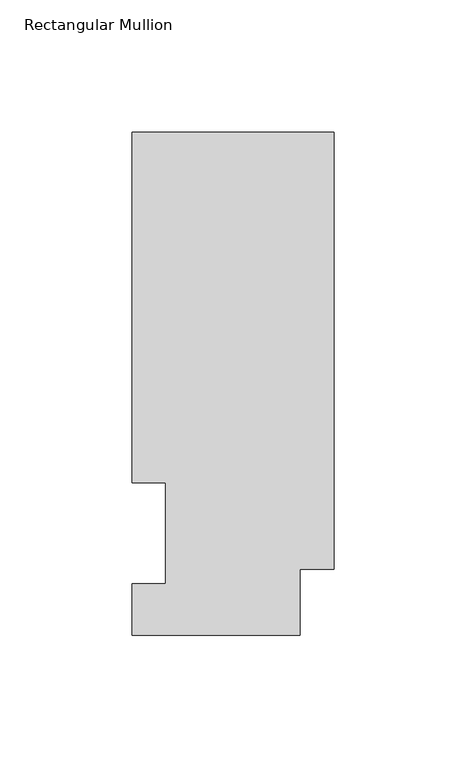
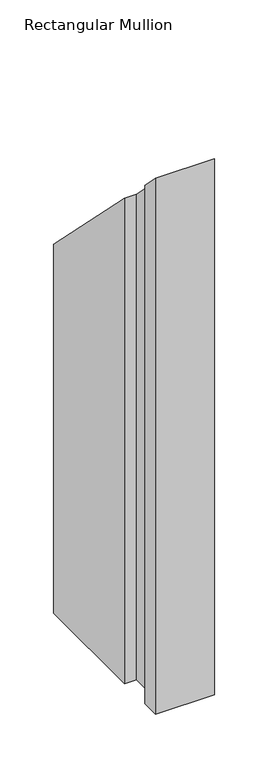
"""IFC4 building model written with IfcOpenShell, lengths in millimetres: member geometry, Rectangular Mullion."""

from ifc_helpers import new_model, si_unit, origin, place, context, project, spatial, faceted_brep, source, transform, mapped, element, save


def rectangular_mullion_6bfdc9e1(model_context):
    return source(origin(), model_context, "Body", "Brep", [
        faceted_brep([(0.0, 190.0816937, -609.56825), (0.0, 25.0832937, -609.56825), (-12.7, 25.0832937, -609.56825), (-12.7, 0.0134937, -609.56825), (-76.2, 0.0134937, -609.56825), (-76.2, 19.5460937, -609.56825), (-63.5, 19.5460937, -609.56825), (-63.5, 57.6460937, -609.56825), (-76.2, 57.6460937, -609.56825), (-76.2, 190.0816937, -609.56825), (-76.2, 190.0816937, -190.0816937), (0.0, 190.0816937, -190.0816937), (-76.2, 57.6460937, -57.6460937), (-63.5, 57.6460937, -57.6460937), (-63.5, 19.5460937, -19.5460937), (-76.2, 19.5460937, -19.5460937), (-76.2, 0.0134937, -0.0134937), (-12.7, 0.0134937, -0.0134937), (-12.7, 25.0832937, -25.0832937), (0.0, 25.0832937, -25.0832937)], [[[0, 1, 2, 3, 4, 5, 6, 7, 8, 9]], [[10, 11, 0, 9]], [[12, 10, 9, 8]], [[13, 12, 8, 7]], [[14, 13, 7, 6]], [[15, 14, 6, 5]], [[16, 15, 5, 4]], [[17, 16, 4, 3]], [[18, 17, 3, 2]], [[19, 18, 2, 1]], [[11, 19, 1, 0]], [[11, 10, 12, 13, 14, 15, 16, 17, 18, 19]]]),
    ])


if __name__ == "__main__":
    model = new_model("IFC4")
    model_context = context("Model", 3, world=origin())
    ifc_project = project(units=[si_unit("LENGTHUNIT", "METRE", prefix="MILLI")], contexts=[model_context])
    site = spatial("IfcSite", under=ifc_project)
    building = spatial("IfcBuilding", under=site)
    placement = place(None, origin())
    rectangular_mullion_shape = rectangular_mullion_6bfdc9e1(model_context)
    element("IfcMember", 1, ObjectType="Rectangular Mullion", at=placement, inside=building, context=model_context, shape_type="MappedRepresentation", body=[
        mapped(rectangular_mullion_shape, transform((0.0, 0.0, 0.0), x_axis=(1.0, 0.0, 0.0), y_axis=(0.0, 1.0, 0.0), z_axis=(0.0, 0.0, 1.0))),
    ])
    save(model, "model.ifc")
